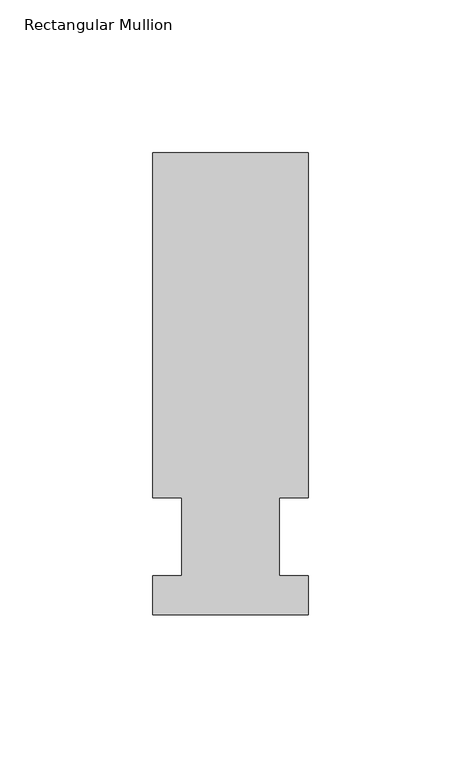
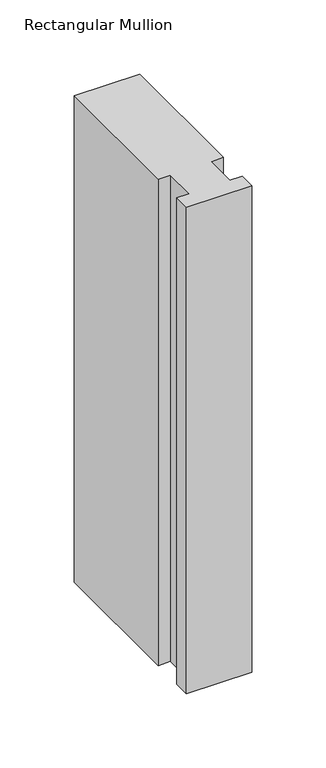
"""IFC4 building model written with IfcOpenShell, lengths in millimetres: member geometry, Rectangular Mullion."""

from ifc_helpers import new_model, si_unit, frame, origin, place, context, project, spatial, polyline, outline, extrude, source, transform, mapped, element, save


def rectangular_mullion_3fcf8730(model_context):
    return source(origin(), model_context, "Body", "SweptSolid", [
        extrude(outline(polyline([(-25.4, -25.58415), (-25.4, -12.7), (-15.875, -12.7), (-15.875, 12.7), (-25.4, 12.7), (-25.4, 125.59665), (25.4, 125.59665), (25.4, 12.7), (15.875, 12.7), (15.875, -12.7), (25.4, -12.7), (25.4, -25.58415), (-25.4, -25.58415)])), frame((0.0, 0.0, -400.05), z_axis=(0.0, 0.0, 1.0), x_axis=(1.0, 0.0, 0.0)), (0.0, 0.0, 1.0), 400.05),
    ])


if __name__ == "__main__":
    model = new_model("IFC4")
    model_context = context("Model", 3, world=origin())
    ifc_project = project(units=[si_unit("LENGTHUNIT", "METRE", prefix="MILLI")], contexts=[model_context])
    site = spatial("IfcSite", under=ifc_project)
    building = spatial("IfcBuilding", under=site)
    placement = place(None, origin())
    rectangular_mullion_shape = rectangular_mullion_3fcf8730(model_context)
    element("IfcMember", 1, ObjectType="Rectangular Mullion", at=placement, inside=building, context=model_context, shape_type="MappedRepresentation", body=[
        mapped(rectangular_mullion_shape, transform((0.0, 0.0, 0.0), x_axis=(1.0, 0.0, 0.0), y_axis=(0.0, 1.0, 0.0), z_axis=(0.0, 0.0, 1.0))),
    ])
    save(model, "model.ifc")
